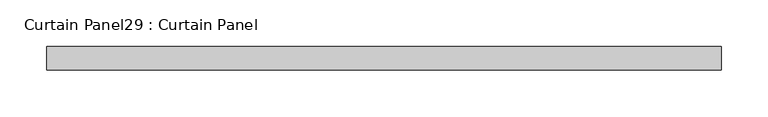
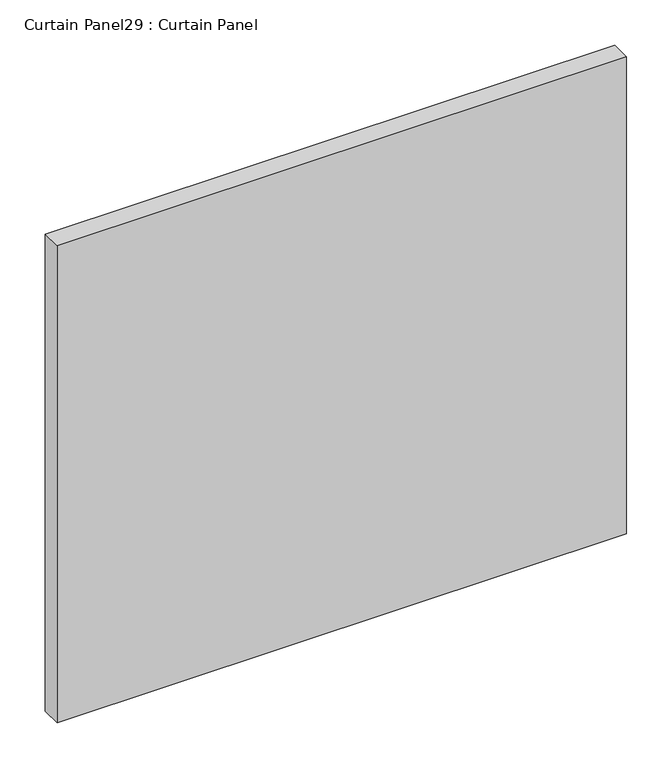
"""IFC4 building model written with IfcOpenShell, lengths in millimetres: plate geometry, Curtain Panel29 : Curtain Panel."""

from ifc_helpers import new_model, si_unit, frame, origin, place, context, project, spatial, polyline, outline, extrude, source, transform, mapped, element, save


def curtain_panel29_curtain_panel_dfec32e9(model_context):
    return source(origin(), model_context, "Body", "SweptSolid", [
        extrude(outline(polyline([(3964.1282603, 3568.3617926), (3240.5623895, 3568.3617926), (3240.5623895, 3593.7617926), (3964.1282603, 3593.7617926), (3964.1282603, 3568.3617926)])), frame((0.0, 0.0, 683.2652917), z_axis=(0.0, 0.0, 1.0), x_axis=(1.0, 0.0, 0.0)), (0.0, 0.0, 1.0), 640.0694167),
    ])


if __name__ == "__main__":
    model = new_model("IFC4")
    model_context = context("Model", 3, world=origin())
    ifc_project = project(units=[si_unit("LENGTHUNIT", "METRE", prefix="MILLI")], contexts=[model_context])
    site = spatial("IfcSite", under=ifc_project)
    building = spatial("IfcBuilding", under=site)
    placement = place(None, origin())
    curtain_panel29_curtain_panel_shape = curtain_panel29_curtain_panel_dfec32e9(model_context)
    element("IfcPlate", 1, ObjectType="Curtain Panel29 : Curtain Panel", at=placement, inside=building, context=model_context, shape_type="MappedRepresentation", body=[
        mapped(curtain_panel29_curtain_panel_shape, transform((0.0, 0.0, 0.0), x_axis=(1.0, 0.0, 0.0), y_axis=(0.0, 1.0, 0.0), z_axis=(0.0, 0.0, 1.0))),
    ])
    save(model, "model.ifc")
